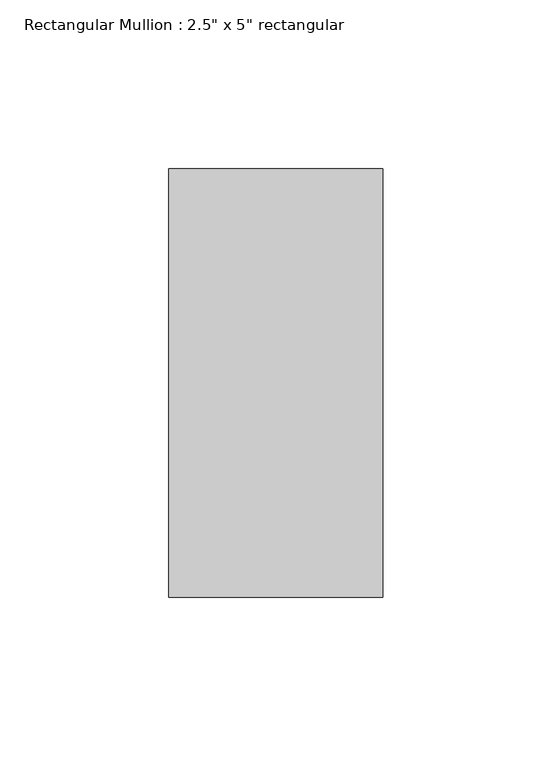
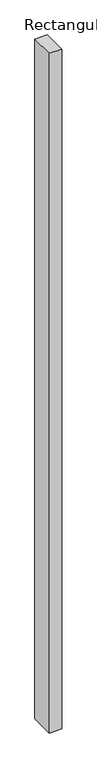
"""IFC4 building model written with IfcOpenShell, lengths in millimetres: member geometry."""

from ifc_helpers import new_model, si_unit, frame, origin, place, context, project, spatial, polyline, outline, extrude, source, transform, mapped, element, save


def member_0d01134d(model_context):
    return source(origin(), model_context, "Body", "SweptSolid", [
        extrude(outline(polyline([(0.0, 63.5), (0.0, -63.5), (-63.5, -63.5), (-63.5, 63.5), (0.0, 63.5)])), frame((0.0, 0.0, -3645.2323154), z_axis=(0.0, 0.0, 1.0), x_axis=(1.0, 0.0, 0.0)), (0.0, 0.0, 1.0), 3645.2323154),
    ])


if __name__ == "__main__":
    model = new_model("IFC4")
    model_context = context("Model", 3, world=origin())
    ifc_project = project(units=[si_unit("LENGTHUNIT", "METRE", prefix="MILLI")], contexts=[model_context])
    site = spatial("IfcSite", under=ifc_project)
    building = spatial("IfcBuilding", under=site)
    placement = place(None, origin())
    member_shape = member_0d01134d(model_context)
    element("IfcMember", 1, ObjectType="Rectangular Mullion : 2.5\" x 5\" rectangular", at=placement, inside=building, context=model_context, shape_type="MappedRepresentation", body=[
        mapped(member_shape, transform((0.0, 0.0, 0.0), x_axis=(1.0, 0.0, 0.0), y_axis=(0.0, 1.0, 0.0), z_axis=(0.0, 0.0, 1.0))),
    ])
    save(model, "model.ifc")
